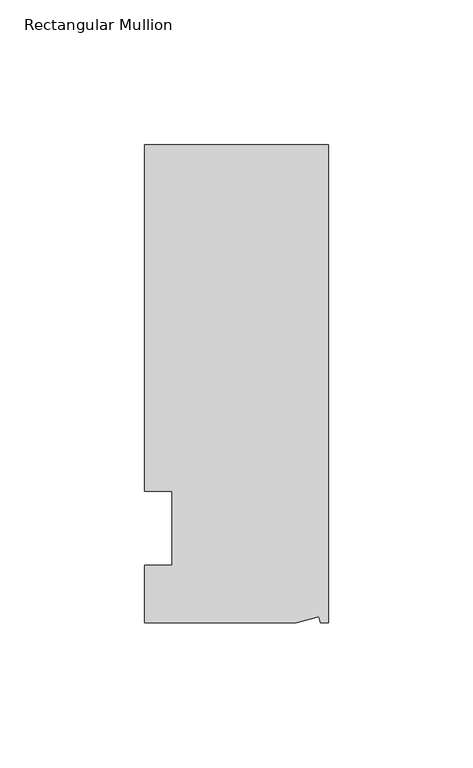
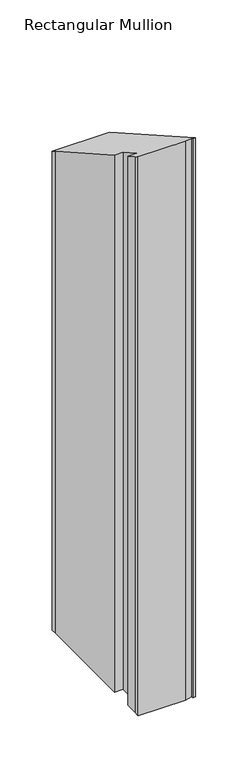
"""IFC4 building model written with IfcOpenShell, lengths in millimetres: member geometry, Rectangular Mullion."""

from ifc_helpers import new_model, si_unit, origin, place, context, project, spatial, faceted_brep, source, transform, mapped, element, save


def rectangular_mullion_14f15197(model_context):
    return source(origin(), model_context, "Body", "Brep", [
        faceted_brep([(0.0, 132.5561012, -635.0), (0.0, -32.5438988, -635.0), (-2.7630634, -32.5438988, -635.0), (-3.3223696, -30.4565397, -635.0), (-11.1125, -32.5438988, -635.0), (-63.5076469, -32.5438988, -635.0), (-63.5076469, -26.1938988, -635.0), (-63.5, -12.7, -635.0), (-53.975, -12.7, -635.0), (-53.975, 12.8488281, -635.0), (-63.5, 12.8488281, -635.0), (-63.5, 126.2061012, -635.0), (-63.5, 132.5561012, -635.0), (0.0, 132.5561012, -74.9966336), (0.0, -32.5438988, 18.4124521), (-63.5, 132.5561012, -74.9966336), (-63.5, 12.8488281, -7.2695172), (-63.5, 126.2061012, -71.4039765), (-53.975, 12.8488281, -7.2695172), (-53.975, -12.7, 7.1853143), (-63.5, -12.7, 7.1853143), (-63.5, -26.1938988, 14.8197949), (-11.1125, -32.5438988, 18.4124521), (-63.5076469, -32.5438988, 18.4124521), (-3.3223696, -30.4565397, 17.2314811), (-2.7630634, -32.5438988, 18.4124521)], [[[0, 1, 2, 3, 4, 5, 6, 7, 8, 9, 10, 11, 12]], [[13, 14, 1, 0]], [[15, 13, 0, 12]], [[16, 17, 11, 10]], [[18, 16, 10, 9]], [[19, 18, 9, 8]], [[20, 19, 8, 7]], [[21, 20, 7, 6]], [[22, 23, 5, 4]], [[24, 22, 4, 3]], [[25, 24, 3, 2]], [[14, 25, 2, 1]], [[13, 15, 17, 16, 18, 19, 20, 21, 23, 22, 24, 25, 14]], [[17, 15, 12, 11]], [[23, 21, 6, 5]]]),
    ])


if __name__ == "__main__":
    model = new_model("IFC4")
    model_context = context("Model", 3, world=origin())
    ifc_project = project(units=[si_unit("LENGTHUNIT", "METRE", prefix="MILLI")], contexts=[model_context])
    site = spatial("IfcSite", under=ifc_project)
    building = spatial("IfcBuilding", under=site)
    placement = place(None, origin())
    rectangular_mullion_shape = rectangular_mullion_14f15197(model_context)
    element("IfcMember", 1, ObjectType="Rectangular Mullion", at=placement, inside=building, context=model_context, shape_type="MappedRepresentation", body=[
        mapped(rectangular_mullion_shape, transform((0.0, 0.0, 0.0), x_axis=(1.0, 0.0, 0.0), y_axis=(0.0, 1.0, 0.0), z_axis=(0.0, 0.0, 1.0))),
    ])
    save(model, "model.ifc")
